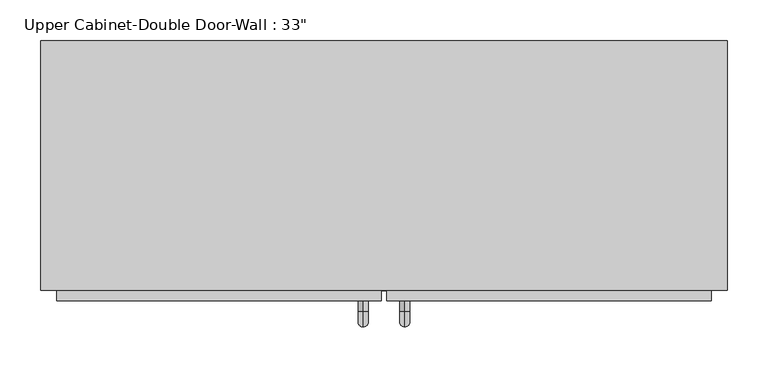
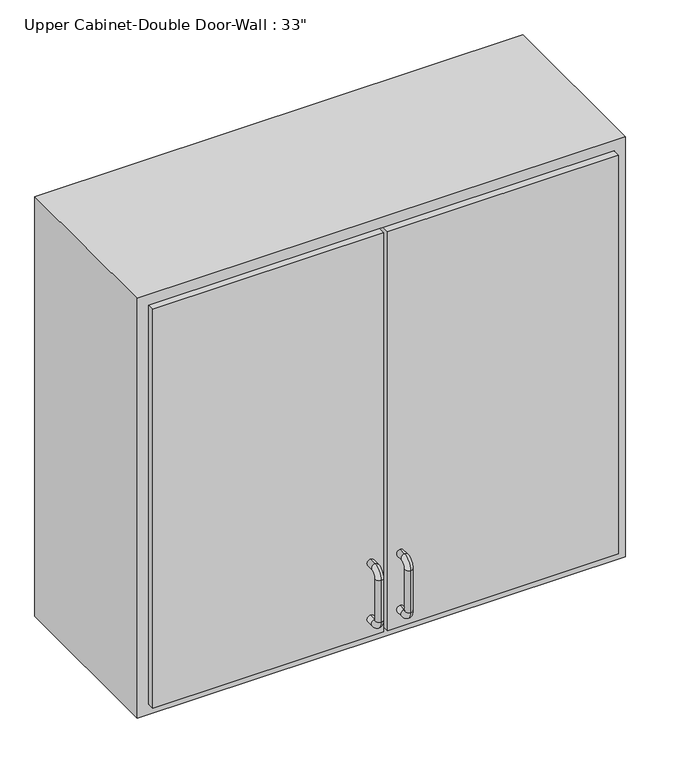
"""IFC4 building model written with IfcOpenShell, lengths in millimetres: furniture geometry."""

from ifc_helpers import new_model, si_unit, point, frame, origin, place, context, project, spatial, polyline, circle_curve, ellipse_curve, trimmed, outline, extrude, faceted_brep, source, transform, mapped, element, save
from ifc_brep_helpers import plane_surface, cylinder_surface, revolved_surface, advanced_brep


def furniture_b2ebd0ce(model_context):
    return source(origin(), model_context, "Body", "SolidModel", [
        faceted_brep([(-389.3288372, -61.9125, 2133.6), (448.8711628, -61.9125, 2133.6), (448.8711628, -61.9125, 1371.6), (-389.3288372, -61.9125, 1371.6), (-389.3288372, -366.7125, 2133.6), (-389.3288372, -366.7125, 1371.6), (448.8711628, -366.7125, 1371.6), (448.8711628, -366.7125, 2133.6), (-370.2788372, -366.7125, 2114.55), (429.8211628, -366.7125, 2114.55), (429.8211628, -366.7125, 1390.65), (-370.2788372, -366.7125, 1390.65), (-370.2788372, -80.9625, 2114.55), (429.8211628, -80.9625, 2114.55), (429.8211628, -80.9625, 1390.65), (-370.2788372, -80.9625, 1390.65)], [[[0, 1, 2, 3]], [[4, 5, 6, 7], [8, 9, 10, 11]], [[3, 5, 4, 0]], [[2, 6, 5, 3]], [[1, 7, 6, 2]], [[0, 4, 7, 1]], [[8, 12, 13, 9]], [[9, 13, 14, 10]], [[10, 14, 15, 11]], [[11, 15, 12, 8]], [[12, 15, 14, 13]]]),
        advanced_brep(
        [(55.1711628, -379.4125, 1517.65), (55.1711628, -379.4125, 1530.35), (55.1711628, -392.1125, 1530.35), (55.1711628, -392.1125, 1517.65), (55.1711628, -411.1625, 1511.3), (55.1711628, -398.4625, 1511.3), (55.1711628, -411.1625, 1435.1), (55.1711628, -398.4625, 1435.1), (55.1711628, -392.1125, 1416.05), (55.1711628, -392.1125, 1428.75), (55.1711628, -379.4125, 1428.75), (55.1711628, -379.4125, 1416.05)],
        [
            (0, 1, circle_curve(frame((55.1711628, -379.4125, 1524.0), z_axis=(0.0, 1.0, 0.0), x_axis=(0.0, 0.0, -1.0)), 6.35)),
            (1, 0, circle_curve(frame((55.1711628, -379.4125, 1524.0), z_axis=(0.0, 1.0, 0.0), x_axis=(0.0, 0.0, -1.0)), 6.35)),
            (1, 2),
            (2, 3, circle_curve(frame((55.1711628, -392.1125, 1524.0), z_axis=(0.0, 1.0, 0.0), x_axis=(0.0, 0.0, -1.0)), 6.35)),
            (3, 0),
            (3, 2, circle_curve(frame((55.1711628, -392.1125, 1524.0), z_axis=(0.0, 1.0, 0.0), x_axis=(0.0, 0.0, -1.0)), 6.35)),
            (4, 5, circle_curve(frame((55.1711628, -404.8125, 1511.3), z_axis=(0.0, 0.0, 1.0), x_axis=(0.0, 1.0, 0.0)), 6.35)),
            (5, 3, circle_curve(frame((55.1711628, -392.1125, 1511.3), z_axis=(-1.0, 0.0, 0.0), x_axis=(0.0, 0.0, 1.0)), 6.35)),
            (2, 4, circle_curve(frame((55.1711628, -392.1125, 1511.3), z_axis=(1.0, 0.0, 0.0), x_axis=(0.0, 0.0, 1.0)), 19.05)),
            (5, 4, circle_curve(frame((55.1711628, -404.8125, 1511.3), z_axis=(0.0, 0.0, 1.0), x_axis=(0.0, 1.0, 0.0)), 6.35)),
            (4, 6),
            (6, 7, circle_curve(frame((55.1711628, -404.8125, 1435.1), z_axis=(0.0, 0.0, 1.0), x_axis=(0.0, 1.0, 0.0)), 6.35)),
            (7, 5),
            (7, 6, circle_curve(frame((55.1711628, -404.8125, 1435.1), z_axis=(0.0, 0.0, 1.0), x_axis=(0.0, 1.0, 0.0)), 6.35)),
            (8, 9, circle_curve(frame((55.1711628, -392.1125, 1422.4), z_axis=(0.0, -1.0, 0.0), x_axis=(0.0, 0.0, 1.0)), 6.35)),
            (9, 7, circle_curve(frame((55.1711628, -392.1125, 1435.1), z_axis=(-1.0, 0.0, 0.0), x_axis=(0.0, -1.0, 0.0)), 6.35)),
            (6, 8, circle_curve(frame((55.1711628, -392.1125, 1435.1), z_axis=(1.0, 0.0, 0.0), x_axis=(0.0, -1.0, 0.0)), 19.05)),
            (9, 8, circle_curve(frame((55.1711628, -392.1125, 1422.4), z_axis=(0.0, -1.0, 0.0), x_axis=(0.0, 0.0, 1.0)), 6.35)),
            (10, 11, circle_curve(frame((55.1711628, -379.4125, 1422.4), z_axis=(0.0, 1.0, 0.0), x_axis=(0.0, 0.0, 1.0)), 6.35)),
            (11, 10, circle_curve(frame((55.1711628, -379.4125, 1422.4), z_axis=(0.0, 1.0, 0.0), x_axis=(0.0, 0.0, 1.0)), 6.35)),
            (8, 11),
            (10, 9),
        ],
        [
            plane_surface(frame((48.8211628, -379.4125, 1524.0), z_axis=(0.0, 1.0, 0.0), x_axis=(0.0, 0.0, 1.0))),
            cylinder_surface(frame((55.1711628, -379.4125, 1524.0), z_axis=(0.0, 1.0, 0.0), x_axis=(0.0, 0.0, -1.0)), 6.35),
            revolved_surface(trimmed(ellipse_curve(frame((55.1711628, -392.1125, 1524.0), z_axis=(0.0, -1.0, 0.0), x_axis=(0.0, 0.0, -1.0)), 6.35, 6.35), [point((55.1711628, -392.1125, 1517.65))], [point((55.1711628, -392.1125, 1530.35))], True, "CARTESIAN"), (55.1711628, -392.1125, 1511.3), (-1.0, 0.0, 0.0)),
            revolved_surface(trimmed(ellipse_curve(frame((55.1711628, -392.1125, 1524.0), z_axis=(0.0, -1.0, 0.0), x_axis=(0.0, 0.0, -1.0)), 6.35, 6.35), [point((55.1711628, -392.1125, 1530.35))], [point((55.1711628, -392.1125, 1517.65))], True, "CARTESIAN"), (55.1711628, -392.1125, 1511.3), (-1.0, 0.0, 0.0)),
            cylinder_surface(frame((55.1711628, -404.8125, 1511.3), z_axis=(0.0, 0.0, 1.0), x_axis=(0.0, 1.0, 0.0)), 6.35),
            revolved_surface(trimmed(ellipse_curve(frame((55.1711628, -404.8125, 1435.1), z_axis=(0.0, 0.0, -1.0), x_axis=(0.0, 1.0, 0.0)), 6.35, 6.35), [point((55.1711628, -398.4625, 1435.1))], [point((55.1711628, -411.1625, 1435.1))], True, "CARTESIAN"), (55.1711628, -392.1125, 1435.1), (-1.0, 0.0, 0.0)),
            revolved_surface(trimmed(ellipse_curve(frame((55.1711628, -404.8125, 1435.1), z_axis=(0.0, 0.0, -1.0), x_axis=(0.0, 1.0, 0.0)), 6.35, 6.35), [point((55.1711628, -411.1625, 1435.1))], [point((55.1711628, -398.4625, 1435.1))], True, "CARTESIAN"), (55.1711628, -392.1125, 1435.1), (-1.0, 0.0, 0.0)),
            plane_surface(frame((48.8211628, -379.4125, 1422.4), z_axis=(0.0, 1.0, 0.0), x_axis=(0.0, 0.0, -1.0))),
            cylinder_surface(frame((55.1711628, -392.1125, 1422.4), z_axis=(0.0, -1.0, 0.0), x_axis=(0.0, 0.0, 1.0)), 6.35),
        ],
        [
            (0, [[1, 2]]),
            (1, [[3, 4, 5, -2]]),
            (1, [[-5, 6, -3, -1]]),
            (2, [[7, 8, -4, 9]]),
            (3, [[10, -9, -6, -8]]),
            (4, [[11, 12, 13, -7]]),
            (4, [[-13, 14, -11, -10]]),
            (5, [[15, 16, -12, 17]]),
            (6, [[18, -17, -14, -16]]),
            (7, [[19, 20]]),
            (8, [[21, -19, 22, -15]]),
            (8, [[-22, -20, -21, -18]]),
        ],
    ),
        advanced_brep(
        [(4.3711628, -379.4125, 1517.65), (4.3711628, -379.4125, 1530.35), (4.3711628, -392.1125, 1530.35), (4.3711628, -392.1125, 1517.65), (4.3711628, -411.1625, 1511.3), (4.3711628, -398.4625, 1511.3), (4.3711628, -411.1625, 1435.1), (4.3711628, -398.4625, 1435.1), (4.3711628, -392.1125, 1416.05), (4.3711628, -392.1125, 1428.75), (4.3711628, -379.4125, 1428.75), (4.3711628, -379.4125, 1416.05)],
        [
            (0, 1, circle_curve(frame((4.3711628, -379.4125, 1524.0), z_axis=(0.0, 1.0, 0.0), x_axis=(0.0, 0.0, 1.0)), 6.35)),
            (1, 0, circle_curve(frame((4.3711628, -379.4125, 1524.0), z_axis=(0.0, 1.0, 0.0), x_axis=(0.0, 0.0, 1.0)), 6.35)),
            (1, 2),
            (2, 3, circle_curve(frame((4.3711628, -392.1125, 1524.0), z_axis=(0.0, 1.0, 0.0), x_axis=(0.0, 0.0, 1.0)), 6.35)),
            (3, 0),
            (3, 2, circle_curve(frame((4.3711628, -392.1125, 1524.0), z_axis=(0.0, 1.0, 0.0), x_axis=(0.0, 0.0, 1.0)), 6.35)),
            (4, 5, circle_curve(frame((4.3711628, -404.8125, 1511.3), z_axis=(0.0, 0.0, 1.0), x_axis=(0.0, -1.0, 0.0)), 6.35)),
            (5, 3, circle_curve(frame((4.3711628, -392.1125, 1511.3), z_axis=(-1.0, 0.0, 0.0), x_axis=(0.0, 0.0, 1.0)), 6.35)),
            (2, 4, circle_curve(frame((4.3711628, -392.1125, 1511.3), z_axis=(1.0, 0.0, 0.0), x_axis=(0.0, 0.0, 1.0)), 19.05)),
            (5, 4, circle_curve(frame((4.3711628, -404.8125, 1511.3), z_axis=(0.0, 0.0, 1.0), x_axis=(0.0, -1.0, 0.0)), 6.35)),
            (4, 6),
            (6, 7, circle_curve(frame((4.3711628, -404.8125, 1435.1), z_axis=(0.0, 0.0, 1.0), x_axis=(0.0, -1.0, 0.0)), 6.35)),
            (7, 5),
            (7, 6, circle_curve(frame((4.3711628, -404.8125, 1435.1), z_axis=(0.0, 0.0, 1.0), x_axis=(0.0, -1.0, 0.0)), 6.35)),
            (8, 9, circle_curve(frame((4.3711628, -392.1125, 1422.4), z_axis=(0.0, -1.0, 0.0), x_axis=(0.0, 0.0, -1.0)), 6.35)),
            (9, 7, circle_curve(frame((4.3711628, -392.1125, 1435.1), z_axis=(-1.0, 0.0, 0.0), x_axis=(0.0, -1.0, 0.0)), 6.35)),
            (6, 8, circle_curve(frame((4.3711628, -392.1125, 1435.1), z_axis=(1.0, 0.0, 0.0), x_axis=(0.0, -1.0, 0.0)), 19.05)),
            (9, 8, circle_curve(frame((4.3711628, -392.1125, 1422.4), z_axis=(0.0, -1.0, 0.0), x_axis=(0.0, 0.0, -1.0)), 6.35)),
            (10, 11, circle_curve(frame((4.3711628, -379.4125, 1422.4), z_axis=(0.0, 1.0, 0.0), x_axis=(0.0, 0.0, -1.0)), 6.35)),
            (11, 10, circle_curve(frame((4.3711628, -379.4125, 1422.4), z_axis=(0.0, 1.0, 0.0), x_axis=(0.0, 0.0, -1.0)), 6.35)),
            (8, 11),
            (10, 9),
        ],
        [
            plane_surface(frame((-1.9788372, -379.4125, 1524.0), z_axis=(0.0, 1.0, 0.0), x_axis=(0.0, 0.0, 1.0))),
            cylinder_surface(frame((4.3711628, -379.4125, 1524.0), z_axis=(0.0, 1.0, 0.0), x_axis=(0.0, 0.0, 1.0)), 6.35),
            revolved_surface(trimmed(ellipse_curve(frame((4.3711628, -392.1125, 1524.0), z_axis=(0.0, -1.0, 0.0), x_axis=(0.0, 0.0, 1.0)), 6.35, 6.35), [point((4.3711628, -392.1125, 1517.65))], [point((4.3711628, -392.1125, 1530.35))], True, "CARTESIAN"), (4.3711628, -392.1125, 1511.3), (-1.0, 0.0, 0.0)),
            revolved_surface(trimmed(ellipse_curve(frame((4.3711628, -392.1125, 1524.0), z_axis=(0.0, -1.0, 0.0), x_axis=(0.0, 0.0, 1.0)), 6.35, 6.35), [point((4.3711628, -392.1125, 1530.35))], [point((4.3711628, -392.1125, 1517.65))], True, "CARTESIAN"), (4.3711628, -392.1125, 1511.3), (-1.0, 0.0, 0.0)),
            cylinder_surface(frame((4.3711628, -404.8125, 1511.3), z_axis=(0.0, 0.0, 1.0), x_axis=(0.0, -1.0, 0.0)), 6.35),
            revolved_surface(trimmed(ellipse_curve(frame((4.3711628, -404.8125, 1435.1), z_axis=(0.0, 0.0, -1.0), x_axis=(0.0, -1.0, 0.0)), 6.35, 6.35), [point((4.3711628, -398.4625, 1435.1))], [point((4.3711628, -411.1625, 1435.1))], True, "CARTESIAN"), (4.3711628, -392.1125, 1435.1), (-1.0, 0.0, 0.0)),
            revolved_surface(trimmed(ellipse_curve(frame((4.3711628, -404.8125, 1435.1), z_axis=(0.0, 0.0, -1.0), x_axis=(0.0, -1.0, 0.0)), 6.35, 6.35), [point((4.3711628, -411.1625, 1435.1))], [point((4.3711628, -398.4625, 1435.1))], True, "CARTESIAN"), (4.3711628, -392.1125, 1435.1), (-1.0, 0.0, 0.0)),
            plane_surface(frame((-1.9788372, -379.4125, 1422.4), z_axis=(0.0, 1.0, 0.0), x_axis=(0.0, 0.0, -1.0))),
            cylinder_surface(frame((4.3711628, -392.1125, 1422.4), z_axis=(0.0, -1.0, 0.0), x_axis=(0.0, 0.0, -1.0)), 6.35),
        ],
        [
            (0, [[1, 2]]),
            (1, [[3, 4, 5, -2]]),
            (1, [[-5, 6, -3, -1]]),
            (2, [[7, 8, -4, 9]]),
            (3, [[10, -9, -6, -8]]),
            (4, [[11, 12, 13, -7]]),
            (4, [[-13, 14, -11, -10]]),
            (5, [[15, 16, -12, 17]]),
            (6, [[18, -17, -14, -16]]),
            (7, [[19, 20]]),
            (8, [[21, -19, 22, -15]]),
            (8, [[-22, -20, -21, -18]]),
        ],
    ),
        extrude(outline(polyline([(32.9461628, -379.4125), (32.9461628, -347.6625), (429.8211628, -347.6625), (429.8211628, -379.4125), (32.9461628, -379.4125)])), frame((0.0, 0.0, 1390.65), z_axis=(0.0, 0.0, 1.0), x_axis=(1.0, 0.0, 0.0)), (0.0, 0.0, 1.0), 723.9),
        extrude(outline(polyline([(-370.2788372, -379.4125), (-370.2788372, -347.6625), (26.5961628, -347.6625), (26.5961628, -379.4125), (-370.2788372, -379.4125)])), frame((0.0, 0.0, 1390.65), z_axis=(0.0, 0.0, 1.0), x_axis=(1.0, 0.0, 0.0)), (0.0, 0.0, 1.0), 723.9),
    ])


if __name__ == "__main__":
    model = new_model("IFC4")
    model_context = context("Model", 3, world=origin())
    ifc_project = project(units=[si_unit("LENGTHUNIT", "METRE", prefix="MILLI")], contexts=[model_context])
    site = spatial("IfcSite", under=ifc_project)
    building = spatial("IfcBuilding", under=site)
    placement = place(None, origin())
    furniture_shape = furniture_b2ebd0ce(model_context)
    element("IfcFurniture", 1, ObjectType="Upper Cabinet-Double Door-Wall : 33\"", at=placement, inside=building, context=model_context, shape_type="MappedRepresentation", body=[
        mapped(furniture_shape, transform((0.0, 0.0, 0.0), x_axis=(1.0, 0.0, 0.0), y_axis=(0.0, 1.0, 0.0), z_axis=(0.0, 0.0, 1.0))),
    ])
    save(model, "model.ifc")
